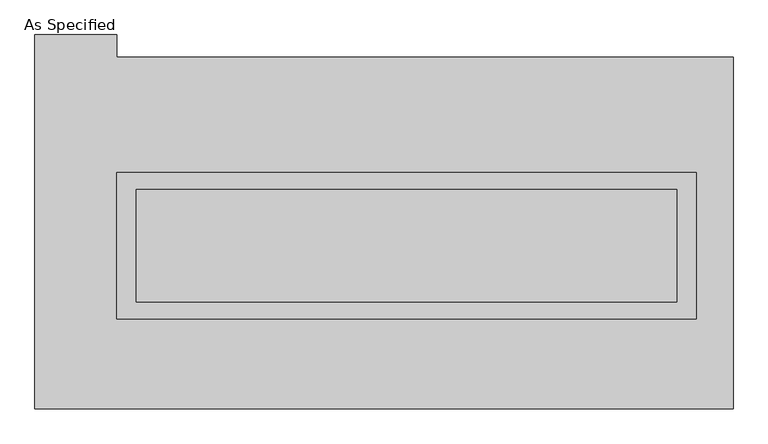
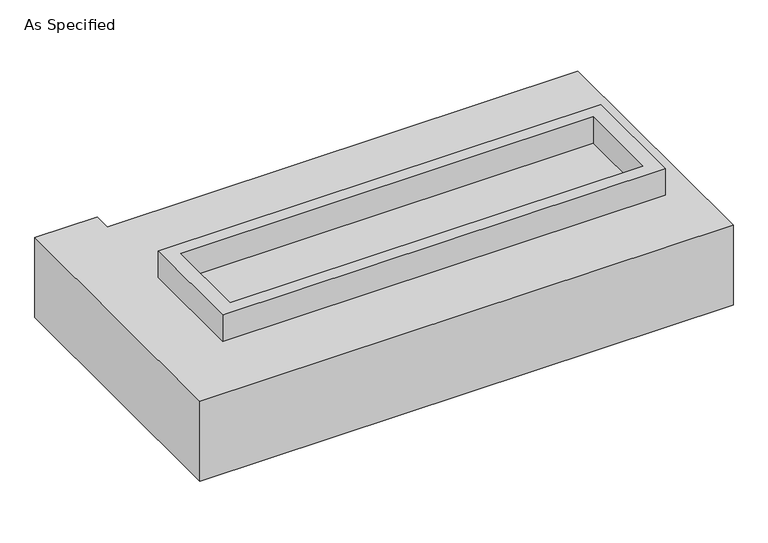
"""IFC4 building model written with IfcOpenShell, lengths in millimetres: proxy geometry, As Specified."""

from ifc_helpers import new_model, si_unit, frame, origin, place, context, project, spatial, polyline, outline, extrude, source, transform, mapped, element, save


def as_specified_095a47de(model_context):
    return source(origin(), model_context, "Body", "SweptSolid", [
        extrude(outline(polyline([(1308.1, 273.05), (1308.1, -387.35), (-1308.1, -387.35), (-1308.1, 273.05), (1308.1, 273.05)]), holes=[polyline([(1219.2, 196.85), (-1219.2, 196.85), (-1219.2, -311.15), (1219.2, -311.15), (1219.2, 196.85)])]), frame((0.0, 0.0, -688.975), z_axis=(0.0, 0.0, 1.0), x_axis=(1.0, 0.0, 0.0)), (0.0, 0.0, 1.0), 165.1),
        extrude(outline(polyline([(1308.1, 273.05), (1308.1, -387.35), (-1308.1, -387.35), (-1308.1, 273.05), (1308.1, 273.05)]), holes=[polyline([(1219.2, 196.85), (-1219.2, 196.85), (-1219.2, -311.15), (1219.2, -311.15), (1219.2, 196.85)])]), frame((0.0, 0.0, -25.4), z_axis=(0.0, 0.0, 1.0), x_axis=(1.0, 0.0, 0.0)), (0.0, 0.0, 1.0), 165.1),
        extrude(outline(polyline([(1219.2, 196.85), (1219.2, -311.15), (-1219.2, -311.15), (-1219.2, 196.85), (1219.2, 196.85)])), frame((0.0, 0.0, -523.875), z_axis=(0.0, 0.0, 1.0), x_axis=(1.0, 0.0, 0.0)), (0.0, 0.0, 1.0), 4.9609375),
        extrude(outline(polyline([(1219.2, 196.85), (1219.2, -311.15), (-1219.2, -311.15), (-1219.2, 196.85), (1219.2, 196.85)])), frame((0.0, 0.0, -30.3609375), z_axis=(0.0, 0.0, 1.0), x_axis=(1.0, 0.0, 0.0)), (0.0, 0.0, 1.0), 4.9609375),
        extrude(outline(polyline([(1473.2, -793.75), (-1676.4, -793.75), (-1676.4, 895.35), (-1308.1, 895.35), (-1308.1, 793.75), (1473.2, 793.75), (1473.2, -793.75)]), holes=[polyline([(-1308.1, 273.05), (-1308.1, -387.35), (1308.1, -387.35), (1308.1, 273.05), (-1308.1, 273.05)])]), frame((0.0, 0.0, -523.875), z_axis=(0.0, 0.0, 1.0), x_axis=(1.0, 0.0, 0.0)), (0.0, 0.0, 1.0), 498.475),
    ])


if __name__ == "__main__":
    model = new_model("IFC4")
    model_context = context("Model", 3, world=origin())
    ifc_project = project(units=[si_unit("LENGTHUNIT", "METRE", prefix="MILLI")], contexts=[model_context])
    site = spatial("IfcSite", under=ifc_project)
    building = spatial("IfcBuilding", under=site)
    placement = place(None, origin())
    as_specified_shape = as_specified_095a47de(model_context)
    element("IfcBuildingElementProxy", 1, Name="As Specified", ObjectType="As Specified", at=placement, inside=building, context=model_context, shape_type="MappedRepresentation", body=[
        mapped(as_specified_shape, transform((0.0, 0.0, 0.0), x_axis=(1.0, 0.0, 0.0), y_axis=(0.0, 1.0, 0.0), z_axis=(0.0, 0.0, 1.0))),
    ])
    save(model, "model.ifc")
